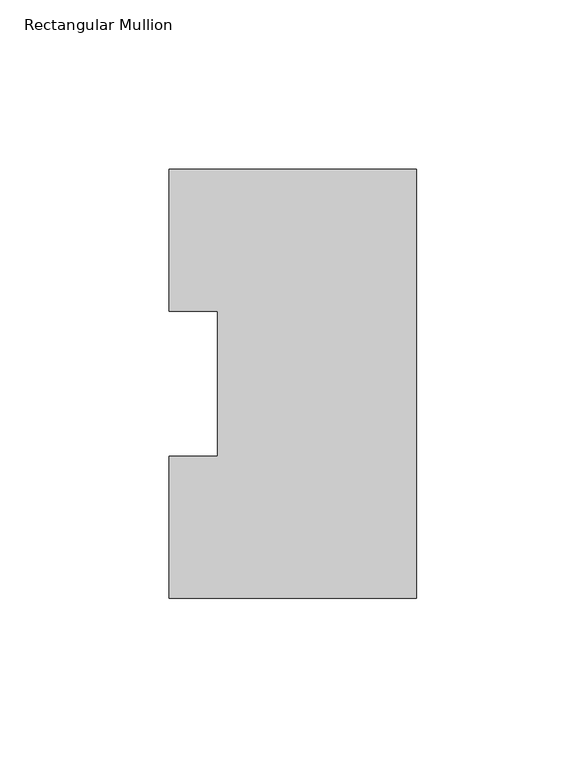
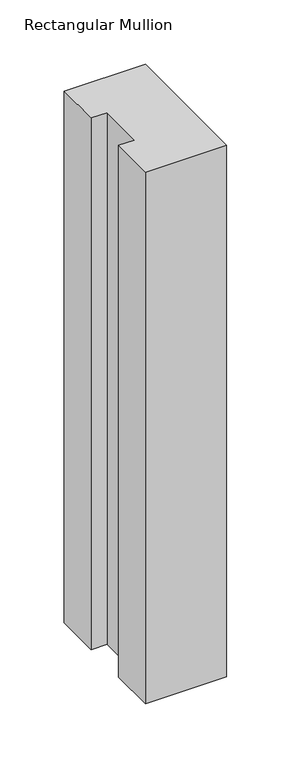
"""IFC4 building model written with IfcOpenShell, lengths in millimetres: member geometry, Rectangular Mullion."""

from ifc_helpers import new_model, si_unit, frame, origin, place, context, project, spatial, polyline, outline, extrude, source, transform, mapped, element, save


def rectangular_mullion_7595211b(model_context):
    return source(origin(), model_context, "Body", "SweptSolid", [
        extrude(outline(polyline([(0.0, 126.75235), (0.0, 0.26035), (-73.025, 0.26035), (-73.025, 42.08145), (-58.7375, 42.08145), (-58.7375, 84.93125), (-73.025, 84.93125), (-73.025, 126.75235), (0.0, 126.75235)])), frame((0.0, 0.0, -504.825), z_axis=(0.0, 0.0, 1.0), x_axis=(1.0, 0.0, 0.0)), (0.0, 0.0, 1.0), 504.825),
    ])


if __name__ == "__main__":
    model = new_model("IFC4")
    model_context = context("Model", 3, world=origin())
    ifc_project = project(units=[si_unit("LENGTHUNIT", "METRE", prefix="MILLI")], contexts=[model_context])
    site = spatial("IfcSite", under=ifc_project)
    building = spatial("IfcBuilding", under=site)
    placement = place(None, origin())
    rectangular_mullion_shape = rectangular_mullion_7595211b(model_context)
    element("IfcMember", 1, ObjectType="Rectangular Mullion", at=placement, inside=building, context=model_context, shape_type="MappedRepresentation", body=[
        mapped(rectangular_mullion_shape, transform((0.0, 0.0, 0.0), x_axis=(1.0, 0.0, 0.0), y_axis=(0.0, 1.0, 0.0), z_axis=(0.0, 0.0, 1.0))),
    ])
    save(model, "model.ifc")
